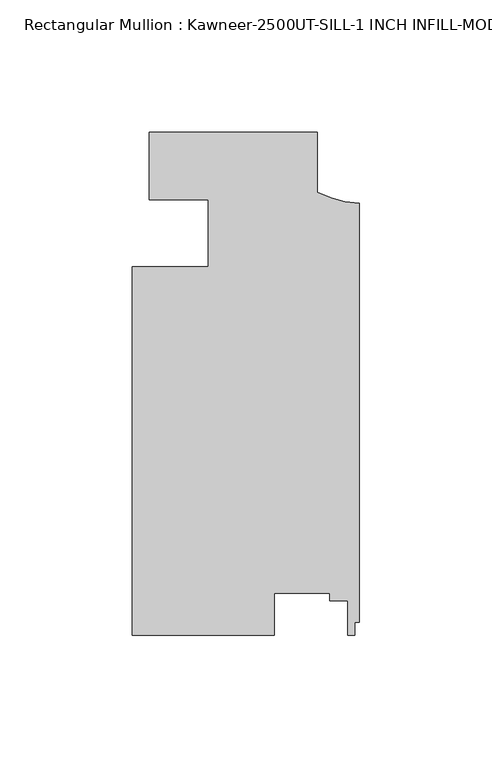
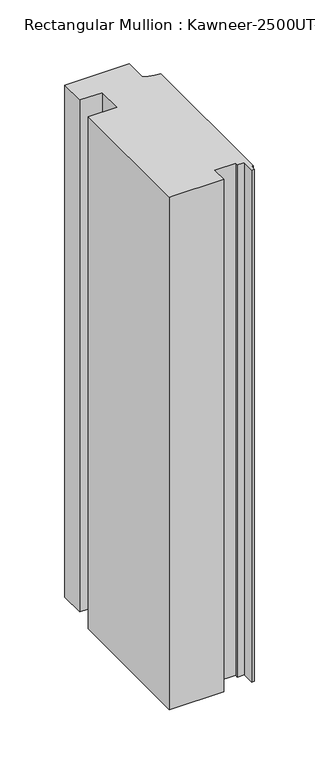
"""IFC4 building model written with IfcOpenShell, lengths in millimetres: member geometry, Rectangular Mullion : Kawneer-2500UT-SILL-1 INCH INFILL-MODEL."""

import ifcopenshell
import ifcopenshell.guid

model = None  # the IFC model being written
_history = None  # IfcOwnerHistory: only IFC2X3 demands one
_inside = {}  # id of a spatial element -> (the spatial element, [elements in it])
_under = {}  # id of a project, library or spatial element -> (it, [spatial elements below it])
_declared = {}  # id of a project -> (the project, [libraries it declares])
_typed = {}  # id of a type object -> (the type object, [elements of that type])
_made_of = {}  # id of a material, layer set ... -> (it, [elements and type objects made of it])


def new_model(schema):
    """Start an empty IFC model of exactly this schema.

    Asked for "IFC4X3", IfcOpenShell would pick the latest addendum, in which some entities
    have other attributes; the version numbers below select the first issue.
    IFC2X3 requires an IfcOwnerHistory on every rooted entity: one is made here for all.
    """
    global model, _history
    if schema == "IFC4X3":
        model = ifcopenshell.file(schema_version=(4, 3, 0, 0))
    else:
        model = ifcopenshell.file(schema=schema)
    _inside.clear()
    _under.clear()
    _declared.clear()
    _typed.clear()
    _made_of.clear()
    _history = None
    if model.schema == "IFC2X3":
        org = make("IfcOrganization", Name="unknown")
        user = make(
            "IfcPersonAndOrganization",
            ThePerson=make("IfcPerson", FamilyName="unknown"),
            TheOrganization=org,
        )
        app = make(
            "IfcApplication",
            ApplicationDeveloper=org,
            Version="unknown",
            ApplicationFullName="unknown",
            ApplicationIdentifier="unknown",
        )
        _history = make(
            "IfcOwnerHistory",
            OwningUser=user,
            OwningApplication=app,
            ChangeAction="ADDED",
            CreationDate=0,
        )
    return model


def make(cls, **values):
    """One entity of the class cls with the attributes given. An attribute that is None is left unset."""
    return model.create_entity(
        cls, **{name: value for name, value in values.items() if value is not None}
    )


def rooted(cls, **values):
    """An entity with a GlobalId (a new one), such as an element, a storey or a relation."""
    return make(cls, GlobalId=ifcopenshell.guid.new(), OwnerHistory=_history, **values)


def si_unit(unit_type, name, prefix=None):
    """IfcSIUnit, for example si_unit("LENGTHUNIT", "METRE", prefix="MILLI")."""
    return make("IfcSIUnit", UnitType=unit_type, Prefix=prefix, Name=name)


def assignment(units):
    """IfcUnitAssignment: the units of a project."""
    return None if units is None else make("IfcUnitAssignment", Units=units)


def point(xyz):
    """IfcCartesianPoint."""
    return None if xyz is None else make("IfcCartesianPoint", Coordinates=xyz)


def direction(xyz):
    """IfcDirection."""
    return None if xyz is None else make("IfcDirection", DirectionRatios=xyz)


def frame(location, z_axis=None, x_axis=None):
    """IfcAxis2Placement3D, a coordinate frame: its origin and axes. An axis left out is left unset."""
    return make(
        "IfcAxis2Placement3D",
        Location=point(location),
        Axis=direction(z_axis),
        RefDirection=direction(x_axis),
    )


def frame_2d(location, x_axis=None):
    """IfcAxis2Placement2D, a coordinate frame in the plane: its origin and x axis."""
    return make(
        "IfcAxis2Placement2D", Location=point(location), RefDirection=direction(x_axis)
    )


def origin():
    """The frame at (0, 0, 0) with its axes left unset."""
    return frame((0.0, 0.0, 0.0))


def place(relative_to, where):
    """IfcLocalPlacement: puts the frame where relative to a parent placement (None: the world)."""
    return make(
        "IfcLocalPlacement", PlacementRelTo=relative_to, RelativePlacement=where
    )


def context(
    kind, dimensions, precision=None, world=None, true_north=None, identifier=None
):
    """IfcGeometricRepresentationContext, for example the 3D "Model" context."""
    return make(
        "IfcGeometricRepresentationContext",
        ContextIdentifier=identifier,
        ContextType=kind,
        CoordinateSpaceDimension=dimensions,
        Precision=precision,
        WorldCoordinateSystem=world,
        TrueNorth=true_north,
    )


def project(units=None, contexts=None):
    """IfcProject with its units and contexts."""
    return rooted(
        "IfcProject",
        Name="project",
        RepresentationContexts=contexts,
        UnitsInContext=assignment(units),
    )


def spatial(cls, under=None, at=None, **own):
    """A site, building, storey or space (cls), placed at a placement, below another one or the project."""
    s = rooted(cls, ObjectPlacement=at, **own)
    if under is not None:
        _under.setdefault(under.id(), (under, []))[1].append(s)
    return s


def polyline(points):
    """IfcPolyline through the points."""
    return make("IfcPolyline", Points=[point(p) for p in points])


def circle_curve(where, radius):
    """IfcCircle in the frame where."""
    return make("IfcCircle", Position=where, Radius=radius)


def trimmed(basis, trim1, trim2, sense, master):
    """IfcTrimmedCurve: the piece of a basis curve between two trims."""
    return make(
        "IfcTrimmedCurve",
        BasisCurve=basis,
        Trim1=trim1,
        Trim2=trim2,
        SenseAgreement=sense,
        MasterRepresentation=master,
    )


def segment(curve, same_sense, transition):
    """IfcCompositeCurveSegment."""
    return make(
        "IfcCompositeCurveSegment",
        Transition=transition,
        SameSense=same_sense,
        ParentCurve=curve,
    )


def composite_curve(segments, self_intersect=None):
    """IfcCompositeCurve: segments joined end to end."""
    return make("IfcCompositeCurve", Segments=segments, SelfIntersect=self_intersect)


def outline(outer, holes=None, kind="AREA"):
    """IfcArbitraryClosedProfileDef: a profile drawn as a closed curve; with holes, ...WithVoids."""
    if holes is None:
        return make("IfcArbitraryClosedProfileDef", ProfileType=kind, OuterCurve=outer)
    return make(
        "IfcArbitraryProfileDefWithVoids",
        ProfileType=kind,
        OuterCurve=outer,
        InnerCurves=holes,
    )


def extrude(swept, where, along, depth):
    """IfcExtrudedAreaSolid: the profile swept, set in the frame where, extruded along a direction by depth."""
    return make(
        "IfcExtrudedAreaSolid",
        SweptArea=swept,
        Position=where,
        ExtrudedDirection=direction(along),
        Depth=depth,
    )


def shape(context_of_items, identifier, shape_type, items):
    """IfcShapeRepresentation: the items that make up one representation, for example the "Body"."""
    return make(
        "IfcShapeRepresentation",
        ContextOfItems=context_of_items,
        RepresentationIdentifier=identifier,
        RepresentationType=shape_type,
        Items=items,
    )


def source(mapping_origin, context_of_items, identifier, shape_type, items):
    """IfcRepresentationMap: a shape defined once, which mapped items show again and again."""
    return make(
        "IfcRepresentationMap",
        MappingOrigin=mapping_origin,
        MappedRepresentation=shape(context_of_items, identifier, shape_type, items),
    )


def transform(
    local_origin,
    x_axis=None,
    y_axis=None,
    z_axis=None,
    scale=None,
    scale2=None,
    scale3=None,
    uniform=True,
):
    """IfcCartesianTransformationOperator3D, or its non-uniform kind. x_axis, y_axis, z_axis: its Axis1, 2, 3."""
    if uniform:
        return make(
            "IfcCartesianTransformationOperator3D",
            Axis1=direction(x_axis),
            Axis2=direction(y_axis),
            LocalOrigin=point(local_origin),
            Scale=scale,
            Axis3=direction(z_axis),
        )
    return make(
        "IfcCartesianTransformationOperator3DnonUniform",
        Axis1=direction(x_axis),
        Axis2=direction(y_axis),
        LocalOrigin=point(local_origin),
        Scale=scale,
        Axis3=direction(z_axis),
        Scale2=scale2,
        Scale3=scale3,
    )


def mapped(mapping_source, mapping_target):
    """IfcMappedItem: shows the shape of a source again, moved by a transform."""
    return make(
        "IfcMappedItem", MappingSource=mapping_source, MappingTarget=mapping_target
    )


def made_of(thing, what):
    """Note that an element or type object is made of a material, layer set ...; save() writes the relation."""
    if what is not None:
        _made_of.setdefault(what.id(), (what, []))[1].append(thing)
    return thing


def element(
    cls,
    number,
    at=None,
    inside=None,
    cuts=None,
    type_object=None,
    material=None,
    context=None,
    identifier="Body",
    shape_type=None,
    held_by="IfcProductDefinitionShape",
    body=None,
    shapes=None,
    **own,
):
    """One element of the class cls, such as IfcWall. Its Tag is "e" and its number.

    at: its placement. inside: the storey or other place that contains it. cuts: it is an
    opening in that element (IfcRelVoidsElement). A single representation is given by context,
    identifier, shape_type and body (its items); several are given by shapes. held_by: the class
    of the entity that holds the representations. save() writes the other relations.
    """
    e = rooted(cls, Tag="e%d" % number, ObjectPlacement=at, **own)
    if body is not None:
        shapes = [shape(context, identifier, shape_type, body)]
    if shapes is not None:
        e.Representation = make(held_by, Representations=shapes)
    if inside is not None:
        _inside.setdefault(inside.id(), (inside, []))[1].append(e)
    if cuts is not None:
        rooted(
            "IfcRelVoidsElement", RelatingBuildingElement=cuts, RelatedOpeningElement=e
        )
    if type_object is not None:
        _typed.setdefault(type_object.id(), (type_object, []))[1].append(e)
    return made_of(e, material)


def aggregate(whole, parts):
    """IfcRelAggregates: a whole, such as a stair, and the parts it consists of."""
    return rooted("IfcRelAggregates", RelatingObject=whole, RelatedObjects=parts)


def save(model, path):
    """Write the relations noted so far, then the file.

    IfcRelAggregates (storeys below a building ...), IfcRelContainedInSpatialStructure (elements
    in a storey), IfcRelDefinesByType, IfcRelAssociatesMaterial and IfcRelDeclares: one each for
    every whole, place, type object, material and project.
    """
    for whole, parts in _under.values():
        aggregate(whole, parts)
    for where, things in _inside.values():
        rooted(
            "IfcRelContainedInSpatialStructure",
            RelatedElements=things,
            RelatingStructure=where,
        )
    for kind, things in _typed.values():
        rooted("IfcRelDefinesByType", RelatedObjects=things, RelatingType=kind)
    for what, things in _made_of.values():
        rooted("IfcRelAssociatesMaterial", RelatedObjects=things, RelatingMaterial=what)
    for by, libraries in _declared.values():
        rooted("IfcRelDeclares", RelatingContext=by, RelatedDefinitions=libraries)
    model.write(path)


def rectangular_mullion_kawneer_2500ut_sill_1_inch_infill_model_87637ef0(model_context):
    return source(origin(), model_context, "Body", "SweptSolid", [
        extrude(outline(composite_curve([segment(polyline([(-79.375, 25.4), (-15.859125, 25.4), (-15.859125, 2.8383029)]), True, "CONTINUOUS"), segment(trimmed(circle_curve(frame_2d((2.0735887, 37.9649275)), 39.4393455), [point((-15.859125, 2.8383029))], [point((0.0, -1.4198691))], True, "CARTESIAN"), True, "CONTINUOUS"), segment(polyline([(0.0, -1.4198691), (0.0, -159.7117704), (-1.7653015, -159.7117704), (-1.7653015, -164.607875), (-4.3053014, -164.607875), (-4.3053014, -151.5640758), (-11.1633011, -151.5640758), (-11.1633011, -148.7094705), (-32.1099503, -148.7094705), (-32.1099503, -164.607875), (-85.725, -164.607875), (-85.725, -25.4163275), (-57.15, -25.4157457), (-57.15, -0.3335077)]), True, "CONTINUOUS"), segment(trimmed(circle_curve(frame_2d((-75.0742482, -461.0236947)), 461.0387479), [point((-57.15, -0.3335077))], [point((-79.375, -0.0050068))], True, "CARTESIAN"), True, "CONTINUOUS"), segment(polyline([(-79.375, -0.0050068), (-79.375, 25.4)]), True, "CONTINUOUS")], self_intersect=False)), frame((0.0, 0.0, -534.9916376), z_axis=(0.0, 0.0, 1.0), x_axis=(1.0, 0.0, 0.0)), (0.0, 0.0, 1.0), 534.9916376),
    ])


if __name__ == "__main__":
    model = new_model("IFC4")
    model_context = context("Model", 3, world=origin())
    ifc_project = project(units=[si_unit("LENGTHUNIT", "METRE", prefix="MILLI")], contexts=[model_context])
    site = spatial("IfcSite", under=ifc_project)
    building = spatial("IfcBuilding", under=site)
    placement = place(None, origin())
    rectangular_mullion_kawneer_2500ut_sill_1_inch_infill_model_shape = rectangular_mullion_kawneer_2500ut_sill_1_inch_infill_model_87637ef0(model_context)
    element("IfcMember", 1, ObjectType="Rectangular Mullion : Kawneer-2500UT-SILL-1 INCH INFILL-MODEL", at=placement, inside=building, context=model_context, shape_type="MappedRepresentation", body=[
        mapped(rectangular_mullion_kawneer_2500ut_sill_1_inch_infill_model_shape, transform((0.0, 0.0, 0.0), x_axis=(1.0, 0.0, 0.0), y_axis=(0.0, 1.0, 0.0), z_axis=(0.0, 0.0, 1.0))),
    ])
    save(model, "model.ifc")
